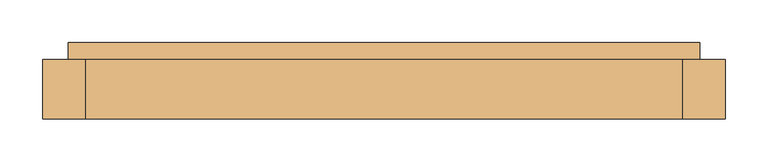
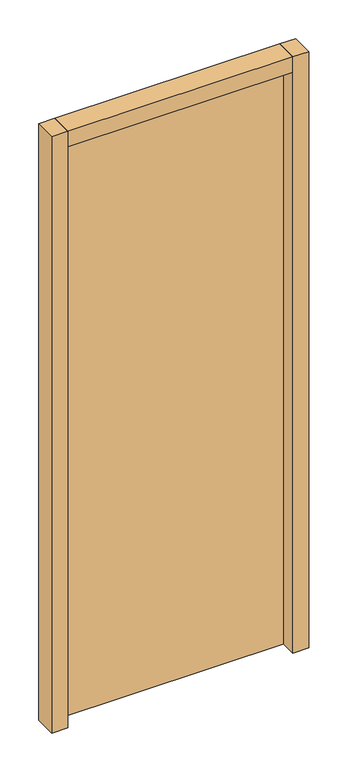
"""IFC4 building model written with IfcOpenShell, lengths in millimetres: door geometry."""

from ifc_helpers import new_model, si_unit, frame, origin, origin_with_axes, place, context, project, spatial, polyline, outline, extrude, source, transform, mapped, element, save


def door_21432404(model_context):
    return source(origin(), model_context, "Body", "SweptSolid", [
        extrude(outline(polyline([(370.0, -137.5), (-370.0, -137.5), (-370.0, -97.5), (370.0, -97.5), (370.0, -137.5)])), origin_with_axes(), (0.0, 0.0, 1.0), 1930.0),
        extrude(outline(polyline([(400.0, -187.5), (350.0, -187.5), (350.0, -117.5), (400.0, -117.5), (400.0, -187.5)])), origin_with_axes(), (0.0, 0.0, 1.0), 1960.0),
        extrude(outline(polyline([(-350.0, -187.5), (-400.0, -187.5), (-400.0, -117.5), (-350.0, -117.5), (-350.0, -187.5)])), origin_with_axes(), (0.0, 0.0, 1.0), 1960.0),
        extrude(outline(polyline([(350.0, -187.5), (-350.0, -187.5), (-350.0, -117.5), (350.0, -117.5), (350.0, -187.5)])), frame((0.0, 0.0, 1910.0), z_axis=(0.0, 0.0, 1.0), x_axis=(1.0, 0.0, 0.0)), (0.0, 0.0, 1.0), 50.0),
    ])


if __name__ == "__main__":
    model = new_model("IFC4")
    model_context = context("Model", 3, world=origin())
    ifc_project = project(units=[si_unit("LENGTHUNIT", "METRE", prefix="MILLI")], contexts=[model_context])
    site = spatial("IfcSite", under=ifc_project)
    building = spatial("IfcBuilding", under=site)
    placement = place(None, origin())
    door_shape = door_21432404(model_context)
    element("IfcDoor", 1, at=placement, inside=building, context=model_context, shape_type="MappedRepresentation", body=[
        mapped(door_shape, transform((0.0, 0.0, 0.0), x_axis=(1.0, 0.0, 0.0), y_axis=(0.0, 1.0, 0.0), z_axis=(0.0, 0.0, 1.0))),
    ])
    save(model, "model.ifc")
